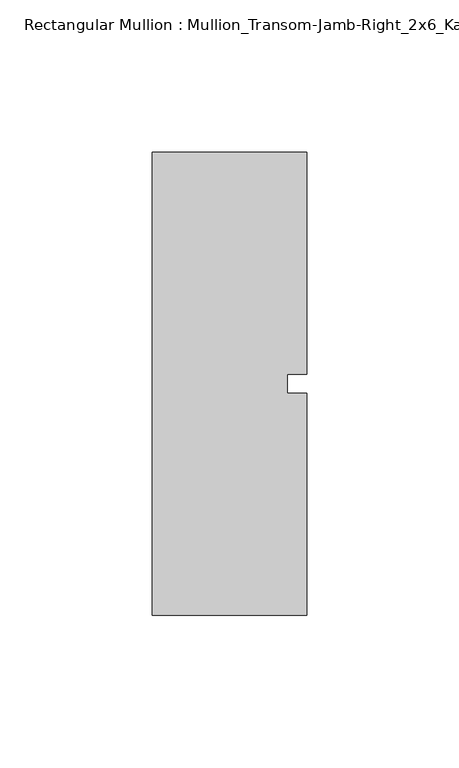
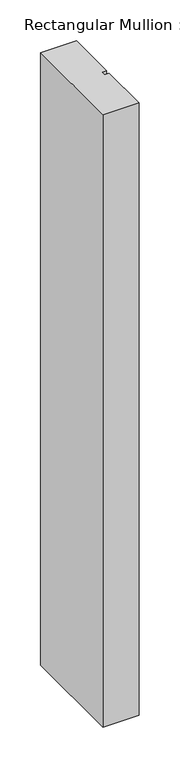
"""IFC4 building model written with IfcOpenShell, lengths in millimetres: member geometry, Rectangular Mullion : Mullion_Transom-Jamb-Right_2x6_Kawneer."""

from ifc_helpers import new_model, si_unit, frame, origin, place, context, project, spatial, polyline, outline, extrude, source, transform, mapped, element, save


def rectangular_mullion_mullion_transom_jamb_right_2x6_kawneer_d4d605b9(model_context):
    return source(origin(), model_context, "Body", "SweptSolid", [
        extrude(outline(polyline([(25.4, 76.2), (25.4, 3.175), (19.05, 3.175), (19.05, -3.175), (25.4, -3.175), (25.4, -76.2), (-25.4, -76.2), (-25.4, 76.2), (25.4, 76.2)])), frame((0.0, 0.0, -914.4), z_axis=(0.0, 0.0, 1.0), x_axis=(1.0, 0.0, 0.0)), (0.0, 0.0, 1.0), 914.4),
    ])


if __name__ == "__main__":
    model = new_model("IFC4")
    model_context = context("Model", 3, world=origin())
    ifc_project = project(units=[si_unit("LENGTHUNIT", "METRE", prefix="MILLI")], contexts=[model_context])
    site = spatial("IfcSite", under=ifc_project)
    building = spatial("IfcBuilding", under=site)
    placement = place(None, origin())
    rectangular_mullion_mullion_transom_jamb_right_2x6_kawneer_shape = rectangular_mullion_mullion_transom_jamb_right_2x6_kawneer_d4d605b9(model_context)
    element("IfcMember", 1, ObjectType="Rectangular Mullion : Mullion_Transom-Jamb-Right_2x6_Kawneer", at=placement, inside=building, context=model_context, shape_type="MappedRepresentation", body=[
        mapped(rectangular_mullion_mullion_transom_jamb_right_2x6_kawneer_shape, transform((0.0, 0.0, 0.0), x_axis=(1.0, 0.0, 0.0), y_axis=(0.0, 1.0, 0.0), z_axis=(0.0, 0.0, 1.0))),
    ])
    save(model, "model.ifc")
